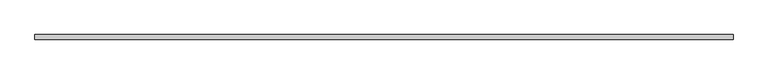
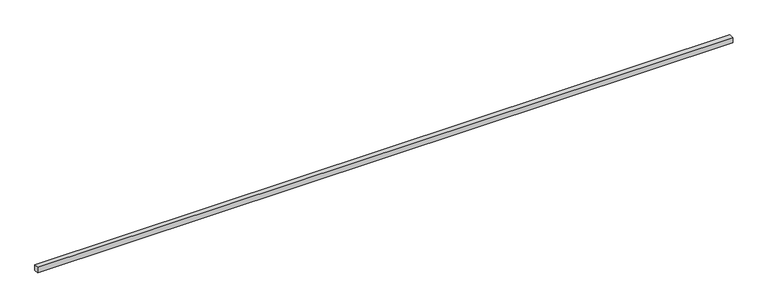
"""IFC4 building model written with IfcOpenShell, lengths in millimetres: proxy geometry."""

import ifcopenshell
import ifcopenshell.guid

model = None  # the IFC model being written
_history = None  # IfcOwnerHistory: only IFC2X3 demands one
_inside = {}  # id of a spatial element -> (the spatial element, [elements in it])
_under = {}  # id of a project, library or spatial element -> (it, [spatial elements below it])
_declared = {}  # id of a project -> (the project, [libraries it declares])
_typed = {}  # id of a type object -> (the type object, [elements of that type])
_made_of = {}  # id of a material, layer set ... -> (it, [elements and type objects made of it])


def new_model(schema):
    """Start an empty IFC model of exactly this schema.

    Asked for "IFC4X3", IfcOpenShell would pick the latest addendum, in which some entities
    have other attributes; the version numbers below select the first issue.
    IFC2X3 requires an IfcOwnerHistory on every rooted entity: one is made here for all.
    """
    global model, _history
    if schema == "IFC4X3":
        model = ifcopenshell.file(schema_version=(4, 3, 0, 0))
    else:
        model = ifcopenshell.file(schema=schema)
    _inside.clear()
    _under.clear()
    _declared.clear()
    _typed.clear()
    _made_of.clear()
    _history = None
    if model.schema == "IFC2X3":
        org = make("IfcOrganization", Name="unknown")
        user = make(
            "IfcPersonAndOrganization",
            ThePerson=make("IfcPerson", FamilyName="unknown"),
            TheOrganization=org,
        )
        app = make(
            "IfcApplication",
            ApplicationDeveloper=org,
            Version="unknown",
            ApplicationFullName="unknown",
            ApplicationIdentifier="unknown",
        )
        _history = make(
            "IfcOwnerHistory",
            OwningUser=user,
            OwningApplication=app,
            ChangeAction="ADDED",
            CreationDate=0,
        )
    return model


def make(cls, **values):
    """One entity of the class cls with the attributes given. An attribute that is None is left unset."""
    return model.create_entity(
        cls, **{name: value for name, value in values.items() if value is not None}
    )


def rooted(cls, **values):
    """An entity with a GlobalId (a new one), such as an element, a storey or a relation."""
    return make(cls, GlobalId=ifcopenshell.guid.new(), OwnerHistory=_history, **values)


def si_unit(unit_type, name, prefix=None):
    """IfcSIUnit, for example si_unit("LENGTHUNIT", "METRE", prefix="MILLI")."""
    return make("IfcSIUnit", UnitType=unit_type, Prefix=prefix, Name=name)


def assignment(units):
    """IfcUnitAssignment: the units of a project."""
    return None if units is None else make("IfcUnitAssignment", Units=units)


def point(xyz):
    """IfcCartesianPoint."""
    return None if xyz is None else make("IfcCartesianPoint", Coordinates=xyz)


def direction(xyz):
    """IfcDirection."""
    return None if xyz is None else make("IfcDirection", DirectionRatios=xyz)


def frame(location, z_axis=None, x_axis=None):
    """IfcAxis2Placement3D, a coordinate frame: its origin and axes. An axis left out is left unset."""
    return make(
        "IfcAxis2Placement3D",
        Location=point(location),
        Axis=direction(z_axis),
        RefDirection=direction(x_axis),
    )


def origin():
    """The frame at (0, 0, 0) with its axes left unset."""
    return frame((0.0, 0.0, 0.0))


def place(relative_to, where):
    """IfcLocalPlacement: puts the frame where relative to a parent placement (None: the world)."""
    return make(
        "IfcLocalPlacement", PlacementRelTo=relative_to, RelativePlacement=where
    )


def context(
    kind, dimensions, precision=None, world=None, true_north=None, identifier=None
):
    """IfcGeometricRepresentationContext, for example the 3D "Model" context."""
    return make(
        "IfcGeometricRepresentationContext",
        ContextIdentifier=identifier,
        ContextType=kind,
        CoordinateSpaceDimension=dimensions,
        Precision=precision,
        WorldCoordinateSystem=world,
        TrueNorth=true_north,
    )


def project(units=None, contexts=None):
    """IfcProject with its units and contexts."""
    return rooted(
        "IfcProject",
        Name="project",
        RepresentationContexts=contexts,
        UnitsInContext=assignment(units),
    )


def spatial(cls, under=None, at=None, **own):
    """A site, building, storey or space (cls), placed at a placement, below another one or the project."""
    s = rooted(cls, ObjectPlacement=at, **own)
    if under is not None:
        _under.setdefault(under.id(), (under, []))[1].append(s)
    return s


def polyline(points):
    """IfcPolyline through the points."""
    return make("IfcPolyline", Points=[point(p) for p in points])


def outline(outer, holes=None, kind="AREA"):
    """IfcArbitraryClosedProfileDef: a profile drawn as a closed curve; with holes, ...WithVoids."""
    if holes is None:
        return make("IfcArbitraryClosedProfileDef", ProfileType=kind, OuterCurve=outer)
    return make(
        "IfcArbitraryProfileDefWithVoids",
        ProfileType=kind,
        OuterCurve=outer,
        InnerCurves=holes,
    )


def extrude(swept, where, along, depth):
    """IfcExtrudedAreaSolid: the profile swept, set in the frame where, extruded along a direction by depth."""
    return make(
        "IfcExtrudedAreaSolid",
        SweptArea=swept,
        Position=where,
        ExtrudedDirection=direction(along),
        Depth=depth,
    )


def shape(context_of_items, identifier, shape_type, items):
    """IfcShapeRepresentation: the items that make up one representation, for example the "Body"."""
    return make(
        "IfcShapeRepresentation",
        ContextOfItems=context_of_items,
        RepresentationIdentifier=identifier,
        RepresentationType=shape_type,
        Items=items,
    )


def source(mapping_origin, context_of_items, identifier, shape_type, items):
    """IfcRepresentationMap: a shape defined once, which mapped items show again and again."""
    return make(
        "IfcRepresentationMap",
        MappingOrigin=mapping_origin,
        MappedRepresentation=shape(context_of_items, identifier, shape_type, items),
    )


def transform(
    local_origin,
    x_axis=None,
    y_axis=None,
    z_axis=None,
    scale=None,
    scale2=None,
    scale3=None,
    uniform=True,
):
    """IfcCartesianTransformationOperator3D, or its non-uniform kind. x_axis, y_axis, z_axis: its Axis1, 2, 3."""
    if uniform:
        return make(
            "IfcCartesianTransformationOperator3D",
            Axis1=direction(x_axis),
            Axis2=direction(y_axis),
            LocalOrigin=point(local_origin),
            Scale=scale,
            Axis3=direction(z_axis),
        )
    return make(
        "IfcCartesianTransformationOperator3DnonUniform",
        Axis1=direction(x_axis),
        Axis2=direction(y_axis),
        LocalOrigin=point(local_origin),
        Scale=scale,
        Axis3=direction(z_axis),
        Scale2=scale2,
        Scale3=scale3,
    )


def mapped(mapping_source, mapping_target):
    """IfcMappedItem: shows the shape of a source again, moved by a transform."""
    return make(
        "IfcMappedItem", MappingSource=mapping_source, MappingTarget=mapping_target
    )


def made_of(thing, what):
    """Note that an element or type object is made of a material, layer set ...; save() writes the relation."""
    if what is not None:
        _made_of.setdefault(what.id(), (what, []))[1].append(thing)
    return thing


def element(
    cls,
    number,
    at=None,
    inside=None,
    cuts=None,
    type_object=None,
    material=None,
    context=None,
    identifier="Body",
    shape_type=None,
    held_by="IfcProductDefinitionShape",
    body=None,
    shapes=None,
    **own,
):
    """One element of the class cls, such as IfcWall. Its Tag is "e" and its number.

    at: its placement. inside: the storey or other place that contains it. cuts: it is an
    opening in that element (IfcRelVoidsElement). A single representation is given by context,
    identifier, shape_type and body (its items); several are given by shapes. held_by: the class
    of the entity that holds the representations. save() writes the other relations.
    """
    e = rooted(cls, Tag="e%d" % number, ObjectPlacement=at, **own)
    if body is not None:
        shapes = [shape(context, identifier, shape_type, body)]
    if shapes is not None:
        e.Representation = make(held_by, Representations=shapes)
    if inside is not None:
        _inside.setdefault(inside.id(), (inside, []))[1].append(e)
    if cuts is not None:
        rooted(
            "IfcRelVoidsElement", RelatingBuildingElement=cuts, RelatedOpeningElement=e
        )
    if type_object is not None:
        _typed.setdefault(type_object.id(), (type_object, []))[1].append(e)
    return made_of(e, material)


def aggregate(whole, parts):
    """IfcRelAggregates: a whole, such as a stair, and the parts it consists of."""
    return rooted("IfcRelAggregates", RelatingObject=whole, RelatedObjects=parts)


def save(model, path):
    """Write the relations noted so far, then the file.

    IfcRelAggregates (storeys below a building ...), IfcRelContainedInSpatialStructure (elements
    in a storey), IfcRelDefinesByType, IfcRelAssociatesMaterial and IfcRelDeclares: one each for
    every whole, place, type object, material and project.
    """
    for whole, parts in _under.values():
        aggregate(whole, parts)
    for where, things in _inside.values():
        rooted(
            "IfcRelContainedInSpatialStructure",
            RelatedElements=things,
            RelatingStructure=where,
        )
    for kind, things in _typed.values():
        rooted("IfcRelDefinesByType", RelatedObjects=things, RelatingType=kind)
    for what, things in _made_of.values():
        rooted("IfcRelAssociatesMaterial", RelatedObjects=things, RelatingMaterial=what)
    for by, libraries in _declared.values():
        rooted("IfcRelDeclares", RelatingContext=by, RelatedDefinitions=libraries)
    model.write(path)


def generic_models_cb0f5c0d(model_context):
    return source(origin(), model_context, "Body", "SweptSolid", [
        extrude(outline(polyline([(40.0, 0.0), (-40.0, 0.0), (-40.0, 12081.9040124), (40.0, 12081.9040124), (40.0, 0.0)])), frame((12081.9040124, 0.0, 0.0), z_axis=(0.0, -1.9783474858313244e-12, 1.0), x_axis=(0.0, 1.0, 1.9783474858313244e-12)), (0.0, 0.0, 1.0), 100.0),
    ])


if __name__ == "__main__":
    model = new_model("IFC4")
    model_context = context("Model", 3, world=origin())
    ifc_project = project(units=[si_unit("LENGTHUNIT", "METRE", prefix="MILLI")], contexts=[model_context])
    site = spatial("IfcSite", under=ifc_project)
    building = spatial("IfcBuilding", under=site)
    placement = place(None, origin())
    generic_models_shape = generic_models_cb0f5c0d(model_context)
    element("IfcBuildingElementProxy", 1, Name="Generic Models", at=placement, inside=building, context=model_context, shape_type="MappedRepresentation", body=[
        mapped(generic_models_shape, transform((0.0, 0.0, 0.0), x_axis=(1.0, 0.0, 0.0), y_axis=(0.0, 1.0, 0.0), z_axis=(0.0, 0.0, 1.0))),
    ])
    save(model, "model.ifc")
